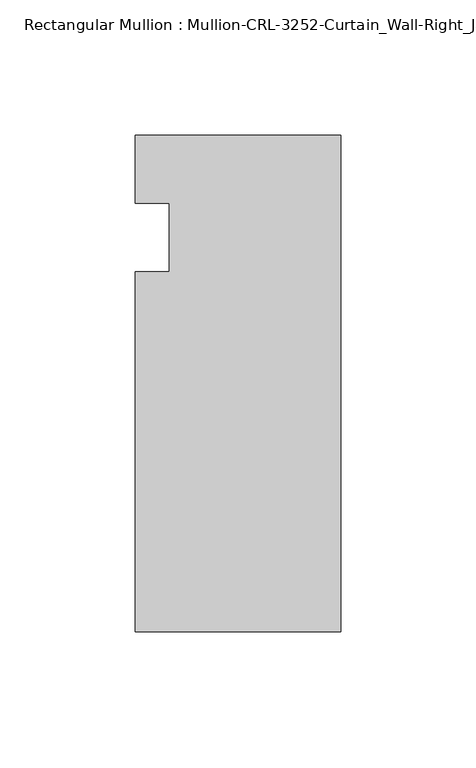
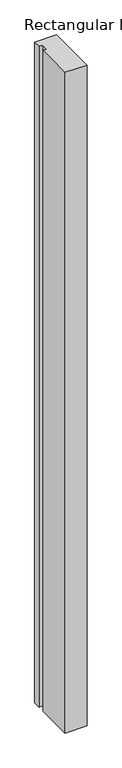
"""IFC4 building model written with IfcOpenShell, lengths in millimetres: member geometry, Rectangular Mullion : Mullion-CRL-3252-Curtain_Wall-Right_Jamb."""

from ifc_helpers import new_model, si_unit, frame, origin, place, context, project, spatial, polyline, outline, extrude, source, transform, mapped, element, save


def rectangular_mullion_mullion_crl_3252_curtain_wall_right_jamb_7cb45e75(model_context):
    return source(origin(), model_context, "Body", "SweptSolid", [
        extrude(outline(polyline([(0.0, -146.0054758), (-76.1947014, -146.0054758), (-76.1947014, -12.7), (-63.5026672, -12.7), (-63.5026672, 12.7), (-76.1947014, 12.7), (-76.1947014, 37.8626457), (0.0, 37.8626457), (0.0, -146.0054758)])), frame((0.0, 0.0, -2438.1023438), z_axis=(0.0, 0.0, 1.0), x_axis=(1.0, 0.0, 0.0)), (0.0, 0.0, 1.0), 2438.1023438),
    ])


if __name__ == "__main__":
    model = new_model("IFC4")
    model_context = context("Model", 3, world=origin())
    ifc_project = project(units=[si_unit("LENGTHUNIT", "METRE", prefix="MILLI")], contexts=[model_context])
    site = spatial("IfcSite", under=ifc_project)
    building = spatial("IfcBuilding", under=site)
    placement = place(None, origin())
    rectangular_mullion_mullion_crl_3252_curtain_wall_right_jamb_shape = rectangular_mullion_mullion_crl_3252_curtain_wall_right_jamb_7cb45e75(model_context)
    element("IfcMember", 1, ObjectType="Rectangular Mullion : Mullion-CRL-3252-Curtain_Wall-Right_Jamb", at=placement, inside=building, context=model_context, shape_type="MappedRepresentation", body=[
        mapped(rectangular_mullion_mullion_crl_3252_curtain_wall_right_jamb_shape, transform((0.0, 0.0, 0.0), x_axis=(1.0, 0.0, 0.0), y_axis=(0.0, 1.0, 0.0), z_axis=(0.0, 0.0, 1.0))),
    ])
    save(model, "model.ifc")
